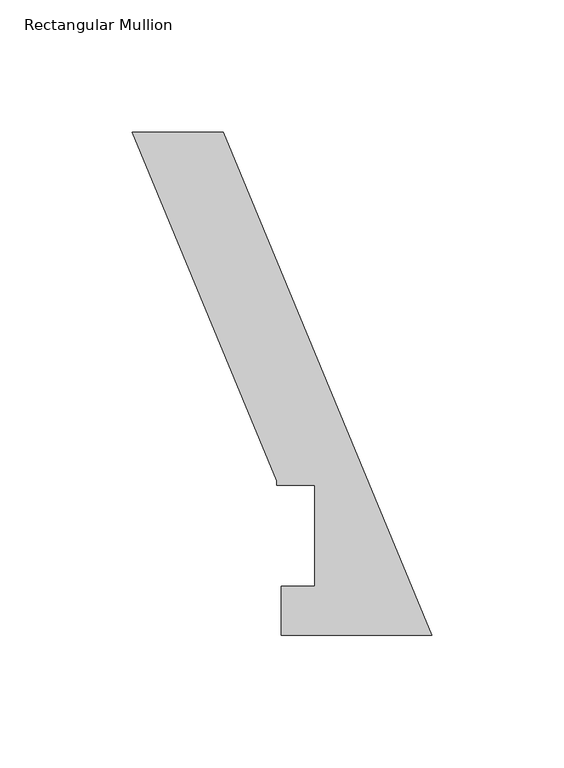
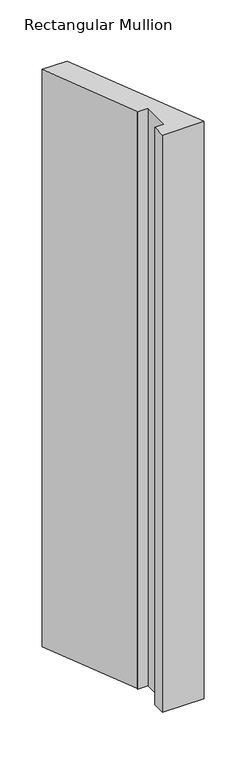
"""IFC4 building model written with IfcOpenShell, lengths in millimetres: member geometry, Rectangular Mullion."""

from ifc_helpers import new_model, si_unit, frame, origin, place, context, project, spatial, polyline, outline, extrude, source, transform, mapped, element, save


def rectangular_mullion_c90c2852(model_context):
    return source(origin(), model_context, "Body", "SweptSolid", [
        extrude(outline(polyline([(-113.0737365, 190.0039062), (-78.7077842, 190.0039062), (0.0, -0.0134937), (-56.8712246, -0.0134937), (-56.8712246, 18.5539063), (-44.1712246, 18.5539063), (-44.1712246, 56.6539062), (-58.5222246, 56.6539062), (-58.5222246, 58.3049062), (-113.0737365, 190.0039062)])), frame((0.0, 0.0, -838.2), z_axis=(0.0, 0.0, 1.0), x_axis=(1.0, 0.0, 0.0)), (0.0, 0.0, 1.0), 838.2),
    ])


if __name__ == "__main__":
    model = new_model("IFC4")
    model_context = context("Model", 3, world=origin())
    ifc_project = project(units=[si_unit("LENGTHUNIT", "METRE", prefix="MILLI")], contexts=[model_context])
    site = spatial("IfcSite", under=ifc_project)
    building = spatial("IfcBuilding", under=site)
    placement = place(None, origin())
    rectangular_mullion_shape = rectangular_mullion_c90c2852(model_context)
    element("IfcMember", 1, ObjectType="Rectangular Mullion", at=placement, inside=building, context=model_context, shape_type="MappedRepresentation", body=[
        mapped(rectangular_mullion_shape, transform((0.0, 0.0, 0.0), x_axis=(1.0, 0.0, 0.0), y_axis=(0.0, 1.0, 0.0), z_axis=(0.0, 0.0, 1.0))),
    ])
    save(model, "model.ifc")
